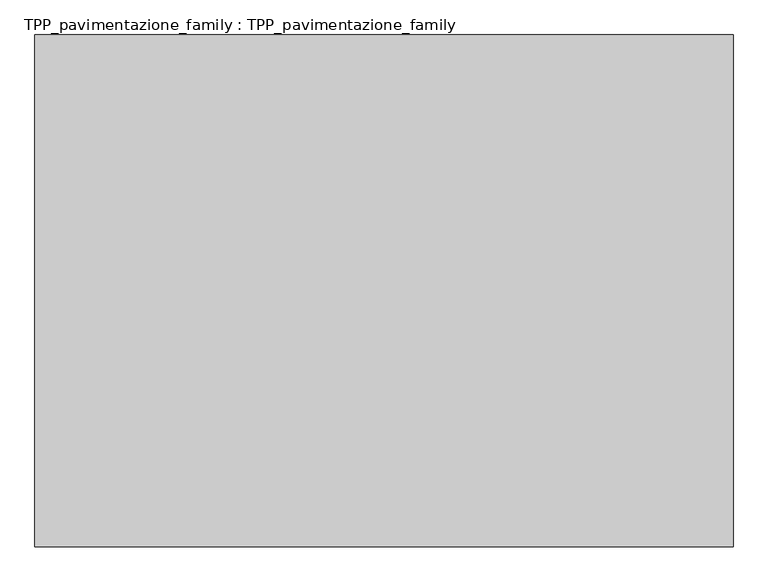
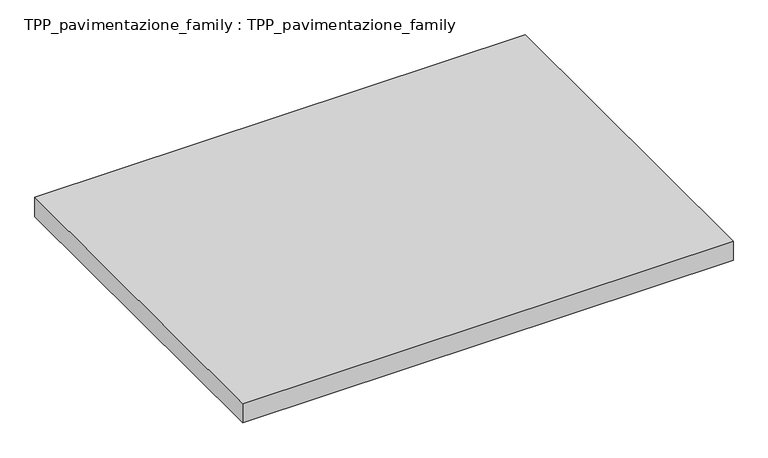
"""IFC4 building model written with IfcOpenShell, lengths in millimetres: proxy geometry, TPP_pavimentazione_family : TPP_pavimentazione_family."""

import ifcopenshell
import ifcopenshell.guid

model = None  # the IFC model being written
_history = None  # IfcOwnerHistory: only IFC2X3 demands one
_inside = {}  # id of a spatial element -> (the spatial element, [elements in it])
_under = {}  # id of a project, library or spatial element -> (it, [spatial elements below it])
_declared = {}  # id of a project -> (the project, [libraries it declares])
_typed = {}  # id of a type object -> (the type object, [elements of that type])
_made_of = {}  # id of a material, layer set ... -> (it, [elements and type objects made of it])


def new_model(schema):
    """Start an empty IFC model of exactly this schema.

    Asked for "IFC4X3", IfcOpenShell would pick the latest addendum, in which some entities
    have other attributes; the version numbers below select the first issue.
    IFC2X3 requires an IfcOwnerHistory on every rooted entity: one is made here for all.
    """
    global model, _history
    if schema == "IFC4X3":
        model = ifcopenshell.file(schema_version=(4, 3, 0, 0))
    else:
        model = ifcopenshell.file(schema=schema)
    _inside.clear()
    _under.clear()
    _declared.clear()
    _typed.clear()
    _made_of.clear()
    _history = None
    if model.schema == "IFC2X3":
        org = make("IfcOrganization", Name="unknown")
        user = make(
            "IfcPersonAndOrganization",
            ThePerson=make("IfcPerson", FamilyName="unknown"),
            TheOrganization=org,
        )
        app = make(
            "IfcApplication",
            ApplicationDeveloper=org,
            Version="unknown",
            ApplicationFullName="unknown",
            ApplicationIdentifier="unknown",
        )
        _history = make(
            "IfcOwnerHistory",
            OwningUser=user,
            OwningApplication=app,
            ChangeAction="ADDED",
            CreationDate=0,
        )
    return model


def make(cls, **values):
    """One entity of the class cls with the attributes given. An attribute that is None is left unset."""
    return model.create_entity(
        cls, **{name: value for name, value in values.items() if value is not None}
    )


def rooted(cls, **values):
    """An entity with a GlobalId (a new one), such as an element, a storey or a relation."""
    return make(cls, GlobalId=ifcopenshell.guid.new(), OwnerHistory=_history, **values)


def si_unit(unit_type, name, prefix=None):
    """IfcSIUnit, for example si_unit("LENGTHUNIT", "METRE", prefix="MILLI")."""
    return make("IfcSIUnit", UnitType=unit_type, Prefix=prefix, Name=name)


def assignment(units):
    """IfcUnitAssignment: the units of a project."""
    return None if units is None else make("IfcUnitAssignment", Units=units)


def point(xyz):
    """IfcCartesianPoint."""
    return None if xyz is None else make("IfcCartesianPoint", Coordinates=xyz)


def direction(xyz):
    """IfcDirection."""
    return None if xyz is None else make("IfcDirection", DirectionRatios=xyz)


def frame(location, z_axis=None, x_axis=None):
    """IfcAxis2Placement3D, a coordinate frame: its origin and axes. An axis left out is left unset."""
    return make(
        "IfcAxis2Placement3D",
        Location=point(location),
        Axis=direction(z_axis),
        RefDirection=direction(x_axis),
    )


def origin():
    """The frame at (0, 0, 0) with its axes left unset."""
    return frame((0.0, 0.0, 0.0))


def origin_with_axes():
    """The frame at (0, 0, 0) with the z axis (0, 0, 1) and the x axis (1, 0, 0) written out."""
    return frame((0.0, 0.0, 0.0), z_axis=(0.0, 0.0, 1.0), x_axis=(1.0, 0.0, 0.0))


def place(relative_to, where):
    """IfcLocalPlacement: puts the frame where relative to a parent placement (None: the world)."""
    return make(
        "IfcLocalPlacement", PlacementRelTo=relative_to, RelativePlacement=where
    )


def context(
    kind, dimensions, precision=None, world=None, true_north=None, identifier=None
):
    """IfcGeometricRepresentationContext, for example the 3D "Model" context."""
    return make(
        "IfcGeometricRepresentationContext",
        ContextIdentifier=identifier,
        ContextType=kind,
        CoordinateSpaceDimension=dimensions,
        Precision=precision,
        WorldCoordinateSystem=world,
        TrueNorth=true_north,
    )


def project(units=None, contexts=None):
    """IfcProject with its units and contexts."""
    return rooted(
        "IfcProject",
        Name="project",
        RepresentationContexts=contexts,
        UnitsInContext=assignment(units),
    )


def spatial(cls, under=None, at=None, **own):
    """A site, building, storey or space (cls), placed at a placement, below another one or the project."""
    s = rooted(cls, ObjectPlacement=at, **own)
    if under is not None:
        _under.setdefault(under.id(), (under, []))[1].append(s)
    return s


def polyline(points):
    """IfcPolyline through the points."""
    return make("IfcPolyline", Points=[point(p) for p in points])


def outline(outer, holes=None, kind="AREA"):
    """IfcArbitraryClosedProfileDef: a profile drawn as a closed curve; with holes, ...WithVoids."""
    if holes is None:
        return make("IfcArbitraryClosedProfileDef", ProfileType=kind, OuterCurve=outer)
    return make(
        "IfcArbitraryProfileDefWithVoids",
        ProfileType=kind,
        OuterCurve=outer,
        InnerCurves=holes,
    )


def extrude(swept, where, along, depth):
    """IfcExtrudedAreaSolid: the profile swept, set in the frame where, extruded along a direction by depth."""
    return make(
        "IfcExtrudedAreaSolid",
        SweptArea=swept,
        Position=where,
        ExtrudedDirection=direction(along),
        Depth=depth,
    )


def shape(context_of_items, identifier, shape_type, items):
    """IfcShapeRepresentation: the items that make up one representation, for example the "Body"."""
    return make(
        "IfcShapeRepresentation",
        ContextOfItems=context_of_items,
        RepresentationIdentifier=identifier,
        RepresentationType=shape_type,
        Items=items,
    )


def source(mapping_origin, context_of_items, identifier, shape_type, items):
    """IfcRepresentationMap: a shape defined once, which mapped items show again and again."""
    return make(
        "IfcRepresentationMap",
        MappingOrigin=mapping_origin,
        MappedRepresentation=shape(context_of_items, identifier, shape_type, items),
    )


def transform(
    local_origin,
    x_axis=None,
    y_axis=None,
    z_axis=None,
    scale=None,
    scale2=None,
    scale3=None,
    uniform=True,
):
    """IfcCartesianTransformationOperator3D, or its non-uniform kind. x_axis, y_axis, z_axis: its Axis1, 2, 3."""
    if uniform:
        return make(
            "IfcCartesianTransformationOperator3D",
            Axis1=direction(x_axis),
            Axis2=direction(y_axis),
            LocalOrigin=point(local_origin),
            Scale=scale,
            Axis3=direction(z_axis),
        )
    return make(
        "IfcCartesianTransformationOperator3DnonUniform",
        Axis1=direction(x_axis),
        Axis2=direction(y_axis),
        LocalOrigin=point(local_origin),
        Scale=scale,
        Axis3=direction(z_axis),
        Scale2=scale2,
        Scale3=scale3,
    )


def mapped(mapping_source, mapping_target):
    """IfcMappedItem: shows the shape of a source again, moved by a transform."""
    return make(
        "IfcMappedItem", MappingSource=mapping_source, MappingTarget=mapping_target
    )


def made_of(thing, what):
    """Note that an element or type object is made of a material, layer set ...; save() writes the relation."""
    if what is not None:
        _made_of.setdefault(what.id(), (what, []))[1].append(thing)
    return thing


def element(
    cls,
    number,
    at=None,
    inside=None,
    cuts=None,
    type_object=None,
    material=None,
    context=None,
    identifier="Body",
    shape_type=None,
    held_by="IfcProductDefinitionShape",
    body=None,
    shapes=None,
    **own,
):
    """One element of the class cls, such as IfcWall. Its Tag is "e" and its number.

    at: its placement. inside: the storey or other place that contains it. cuts: it is an
    opening in that element (IfcRelVoidsElement). A single representation is given by context,
    identifier, shape_type and body (its items); several are given by shapes. held_by: the class
    of the entity that holds the representations. save() writes the other relations.
    """
    e = rooted(cls, Tag="e%d" % number, ObjectPlacement=at, **own)
    if body is not None:
        shapes = [shape(context, identifier, shape_type, body)]
    if shapes is not None:
        e.Representation = make(held_by, Representations=shapes)
    if inside is not None:
        _inside.setdefault(inside.id(), (inside, []))[1].append(e)
    if cuts is not None:
        rooted(
            "IfcRelVoidsElement", RelatingBuildingElement=cuts, RelatedOpeningElement=e
        )
    if type_object is not None:
        _typed.setdefault(type_object.id(), (type_object, []))[1].append(e)
    return made_of(e, material)


def aggregate(whole, parts):
    """IfcRelAggregates: a whole, such as a stair, and the parts it consists of."""
    return rooted("IfcRelAggregates", RelatingObject=whole, RelatedObjects=parts)


def save(model, path):
    """Write the relations noted so far, then the file.

    IfcRelAggregates (storeys below a building ...), IfcRelContainedInSpatialStructure (elements
    in a storey), IfcRelDefinesByType, IfcRelAssociatesMaterial and IfcRelDeclares: one each for
    every whole, place, type object, material and project.
    """
    for whole, parts in _under.values():
        aggregate(whole, parts)
    for where, things in _inside.values():
        rooted(
            "IfcRelContainedInSpatialStructure",
            RelatedElements=things,
            RelatingStructure=where,
        )
    for kind, things in _typed.values():
        rooted("IfcRelDefinesByType", RelatedObjects=things, RelatingType=kind)
    for what, things in _made_of.values():
        rooted("IfcRelAssociatesMaterial", RelatedObjects=things, RelatingMaterial=what)
    for by, libraries in _declared.values():
        rooted("IfcRelDeclares", RelatingContext=by, RelatedDefinitions=libraries)
    model.write(path)


def tpp_pavimentazione_family_tpp_pavimentazione_family_8698b10f(model_context):
    return source(origin(), model_context, "Body", "SweptSolid", [
        extrude(outline(polyline([(511.8146187, 354.2201026), (511.8146187, -531.5498522), (-696.3858088, -531.5498522), (-696.3858088, 354.2201026), (511.8146187, 354.2201026)])), origin_with_axes(), (0.0, 0.0, 1.0), 50.0),
    ])


if __name__ == "__main__":
    model = new_model("IFC4")
    model_context = context("Model", 3, world=origin())
    ifc_project = project(units=[si_unit("LENGTHUNIT", "METRE", prefix="MILLI")], contexts=[model_context])
    site = spatial("IfcSite", under=ifc_project)
    building = spatial("IfcBuilding", under=site)
    placement = place(None, origin())
    tpp_pavimentazione_family_tpp_pavimentazione_family_shape = tpp_pavimentazione_family_tpp_pavimentazione_family_8698b10f(model_context)
    element("IfcBuildingElementProxy", 1, Name="TPP_pavimentazione_family : TPP_pavimentazione_family", ObjectType="TPP_pavimentazione_family : TPP_pavimentazione_family", at=placement, inside=building, context=model_context, shape_type="MappedRepresentation", body=[
        mapped(tpp_pavimentazione_family_tpp_pavimentazione_family_shape, transform((0.0, 0.0, 0.0), x_axis=(1.0, 0.0, 0.0), y_axis=(0.0, 1.0, 0.0), z_axis=(0.0, 0.0, 1.0))),
    ])
    save(model, "model.ifc")
